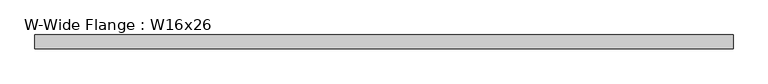
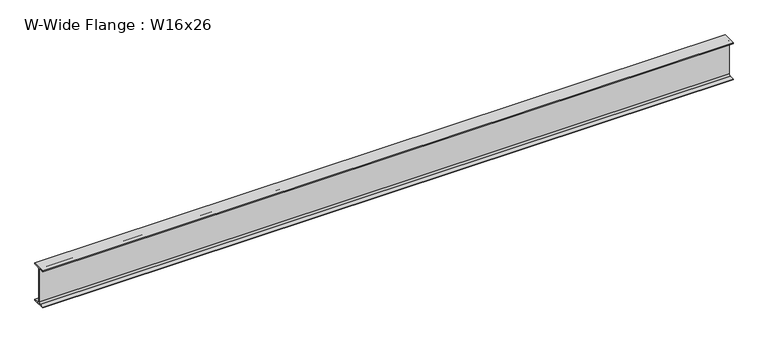
"""IFC4 building model written with IfcOpenShell, lengths in millimetres: beam geometry, W-Wide Flange : W16x26."""

from ifc_helpers import new_model, si_unit, point, frame, frame_2d, origin, place, context, project, spatial, polyline, circle_curve, trimmed, segment, composite_curve, outline, extrude, source, transform, mapped, element, save


def w_wide_flange_w16x26_e61ad356(model_context):
    return source(origin(), model_context, "Body", "SweptSolid", [
        extrude(outline(composite_curve([segment(polyline([(69.85, -190.627), (69.85, -199.39), (-69.85, -199.39), (-69.85, -190.627), (-21.3995, -190.627)]), True, "CONTINUOUS"), segment(trimmed(circle_curve(frame_2d((-21.3995, -172.4025)), 18.2245), [point((-21.3995, -190.627))], [point((-3.175, -172.4025))], True, "CARTESIAN"), True, "CONTINUOUS"), segment(polyline([(-3.175, -172.4025), (-3.175, 172.4025)]), True, "CONTINUOUS"), segment(trimmed(circle_curve(frame_2d((-21.3995, 172.4025)), 18.2245), [point((-3.175, 172.4025))], [point((-21.3995, 190.627))], True, "CARTESIAN"), True, "CONTINUOUS"), segment(polyline([(-21.3995, 190.627), (-69.85, 190.627), (-69.85, 199.39), (69.85, 199.39), (69.85, 190.627), (21.3995, 190.627)]), True, "CONTINUOUS"), segment(trimmed(circle_curve(frame_2d((21.3995, 172.4025)), 18.2245), [point((21.3995, 190.627))], [point((3.175, 172.4025))], True, "CARTESIAN"), True, "CONTINUOUS"), segment(polyline([(3.175, 172.4025), (3.175, -172.4025)]), True, "CONTINUOUS"), segment(trimmed(circle_curve(frame_2d((21.3995, -172.4025)), 18.2245), [point((3.175, -172.4025))], [point((21.3995, -190.627))], True, "CARTESIAN"), True, "CONTINUOUS"), segment(polyline([(21.3995, -190.627), (69.85, -190.627)]), True, "CONTINUOUS")], self_intersect=False)), frame((-3441.7, 0.0, 0.0), z_axis=(1.0, 0.0, 0.0), x_axis=(0.0, 1.0, 0.0)), (0.0, 0.0, 1.0), 7023.1),
    ])


if __name__ == "__main__":
    model = new_model("IFC4")
    model_context = context("Model", 3, world=origin())
    ifc_project = project(units=[si_unit("LENGTHUNIT", "METRE", prefix="MILLI")], contexts=[model_context])
    site = spatial("IfcSite", under=ifc_project)
    building = spatial("IfcBuilding", under=site)
    placement = place(None, origin())
    w_wide_flange_w16x26_shape = w_wide_flange_w16x26_e61ad356(model_context)
    element("IfcBeam", 1, ObjectType="W-Wide Flange : W16x26", at=placement, inside=building, context=model_context, shape_type="MappedRepresentation", body=[
        mapped(w_wide_flange_w16x26_shape, transform((0.0, 0.0, 0.0), x_axis=(1.0, 0.0, 0.0), y_axis=(0.0, 1.0, 0.0), z_axis=(0.0, 0.0, 1.0))),
    ])
    save(model, "model.ifc")
